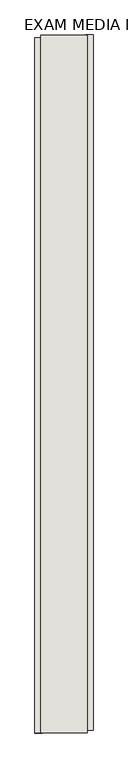
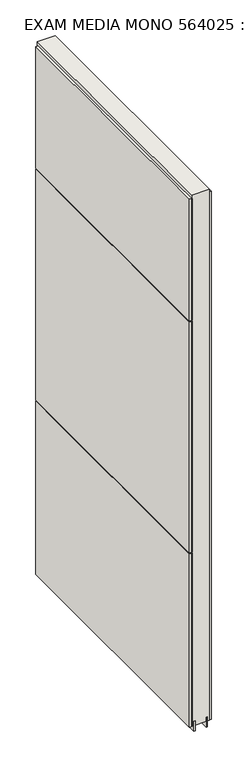
"""IFC4 building model written with IfcOpenShell, lengths in millimetres: wall geometry, EXAM MEDIA MONO 564025 : EXAM MEDIA MONO 564025."""

from ifc_helpers import new_model, si_unit, frame, origin, place, context, project, spatial, polyline, outline, extrude, source, transform, mapped, element, save


def exam_media_mono_564025_exam_media_mono_564025_191c6f52(model_context):
    return source(origin(), model_context, "Body", "SweptSolid", [
        extrude(outline(polyline([(54789.4941546, -40633.0968642), (54789.4941546, -40630.5568642), (54792.0341546, -40630.5568642), (54792.0341546, -40633.0968642), (54789.4941546, -40633.0968642)])), frame((0.0, 0.0, 4419.6), z_axis=(0.0, 0.0, 1.0), x_axis=(1.0, 0.0, 0.0)), (0.0, 0.0, 1.0), 2.54),
        extrude(outline(polyline([(54841.5641546, -40630.0906472), (54841.5641546, -41845.2906552), (54828.8641546, -41845.2906552), (54828.8641546, -40630.0906472), (54841.5641546, -40630.0906472)])), frame((0.0, 0.0, 4445.0), z_axis=(0.0, 0.0, 1.0), x_axis=(1.0, 0.0, 0.0)), (0.0, 0.0, 1.0), 2545.0498756),
        extrude(outline(polyline([(54739.9641546, -41850.220592), (54739.9641546, -40635.020584), (54752.6641546, -40635.020584), (54752.6641546, -41850.220592), (54739.9641546, -41850.220592)])), frame((0.0, 0.0, 6402.8000722), z_axis=(0.0, 0.0, 1.0), x_axis=(1.0, 0.0, 0.0)), (0.0, 0.0, 1.0), 587.2498034),
        extrude(outline(polyline([(54739.9641546, -41850.220592), (54739.9641546, -40635.020584), (54752.6641546, -40635.020584), (54752.6641546, -41850.220592), (54739.9641546, -41850.220592)])), frame((0.0, 0.0, 5285.2000722), z_axis=(0.0, 0.0, 1.0), x_axis=(1.0, 0.0, 0.0)), (0.0, 0.0, 1.0), 1113.5999572),
        extrude(outline(polyline([(54739.9641546, -41850.220592), (54739.9641546, -40635.020584), (54752.6641546, -40635.020584), (54752.6641546, -41850.220592), (54739.9641546, -41850.220592)])), frame((0.0, 0.0, 4445.0), z_axis=(0.0, 0.0, 1.0), x_axis=(1.0, 0.0, 0.0)), (0.0, 0.0, 1.0), 836.200004),
        extrude(outline(polyline([(54815.8417016, -41849.7525208), (54815.8417016, -40630.5525208), (54820.920457, -40630.5525208), (54820.920457, -41849.7525208), (54815.8417016, -41849.7525208)])), frame((0.0, 0.0, 4418.6602), z_axis=(0.0, 0.0, 1.0), x_axis=(1.0, 0.0, 0.0)), (0.0, 0.0, 1.0), 47.625),
        extrude(outline(polyline([(54815.8417016, -41849.7525208), (54815.8417016, -40630.5525208), (54820.920457, -40630.5525208), (54820.920457, -41849.7525208), (54815.8417016, -41849.7525208)])), frame((0.0, 0.0, 4418.6602), z_axis=(0.0, 0.0, 1.0), x_axis=(1.0, 0.0, 0.0)), (0.0, 0.0, 1.0), 47.625),
        extrude(outline(polyline([(54765.6742124, -40630.5525208), (54765.6742124, -41849.7525208), (54760.595457, -41849.7525208), (54760.595457, -40630.5525208), (54765.6742124, -40630.5525208)])), frame((0.0, 0.0, 4418.6602), z_axis=(0.0, 0.0, 1.0), x_axis=(1.0, 0.0, 0.0)), (0.0, 0.0, 1.0), 47.625),
        extrude(outline(polyline([(54765.6742124, -40630.5525208), (54765.6742124, -41849.7525208), (54760.595457, -41849.7525208), (54760.595457, -40630.5525208), (54765.6742124, -40630.5525208)])), frame((0.0, 0.0, 4418.6602), z_axis=(0.0, 0.0, 1.0), x_axis=(1.0, 0.0, 0.0)), (0.0, 0.0, 1.0), 47.625),
        extrude(outline(polyline([(54831.4128414, -41849.7525208), (54750.134086, -41849.7525208), (54750.134086, -40630.5525208), (54831.4128414, -40630.5525208), (54831.4128414, -41849.7525208)])), frame((0.0, 0.0, 4445.0), z_axis=(0.0, 0.0, 1.0), x_axis=(1.0, 0.0, 0.0)), (0.0, 0.0, 1.0), 2562.4536762),
    ])


if __name__ == "__main__":
    model = new_model("IFC4")
    model_context = context("Model", 3, world=origin())
    ifc_project = project(units=[si_unit("LENGTHUNIT", "METRE", prefix="MILLI")], contexts=[model_context])
    site = spatial("IfcSite", under=ifc_project)
    building = spatial("IfcBuilding", under=site)
    placement = place(None, origin())
    exam_media_mono_564025_exam_media_mono_564025_shape = exam_media_mono_564025_exam_media_mono_564025_191c6f52(model_context)
    element("IfcWall", 1, ObjectType="EXAM MEDIA MONO 564025 : EXAM MEDIA MONO 564025", at=placement, inside=building, context=model_context, shape_type="MappedRepresentation", body=[
        mapped(exam_media_mono_564025_exam_media_mono_564025_shape, transform((0.0, 0.0, 0.0), x_axis=(1.0, 0.0, 0.0), y_axis=(0.0, 1.0, 0.0), z_axis=(0.0, 0.0, 1.0))),
    ])
    save(model, "model.ifc")
